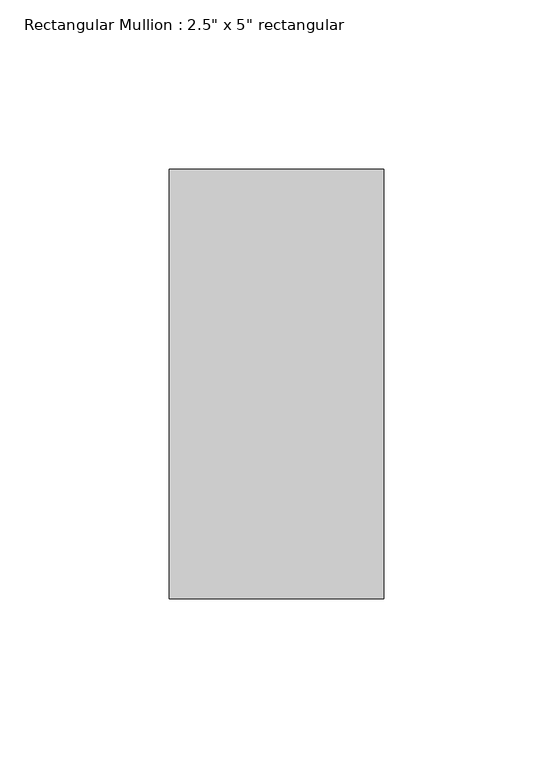
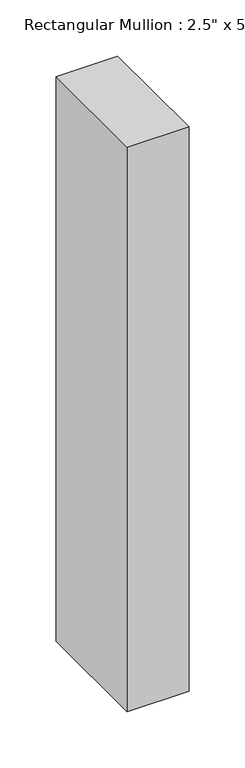
"""IFC4 building model written with IfcOpenShell, lengths in millimetres: member geometry."""

import ifcopenshell
import ifcopenshell.guid

model = None  # the IFC model being written
_history = None  # IfcOwnerHistory: only IFC2X3 demands one
_inside = {}  # id of a spatial element -> (the spatial element, [elements in it])
_under = {}  # id of a project, library or spatial element -> (it, [spatial elements below it])
_declared = {}  # id of a project -> (the project, [libraries it declares])
_typed = {}  # id of a type object -> (the type object, [elements of that type])
_made_of = {}  # id of a material, layer set ... -> (it, [elements and type objects made of it])


def new_model(schema):
    """Start an empty IFC model of exactly this schema.

    Asked for "IFC4X3", IfcOpenShell would pick the latest addendum, in which some entities
    have other attributes; the version numbers below select the first issue.
    IFC2X3 requires an IfcOwnerHistory on every rooted entity: one is made here for all.
    """
    global model, _history
    if schema == "IFC4X3":
        model = ifcopenshell.file(schema_version=(4, 3, 0, 0))
    else:
        model = ifcopenshell.file(schema=schema)
    _inside.clear()
    _under.clear()
    _declared.clear()
    _typed.clear()
    _made_of.clear()
    _history = None
    if model.schema == "IFC2X3":
        org = make("IfcOrganization", Name="unknown")
        user = make(
            "IfcPersonAndOrganization",
            ThePerson=make("IfcPerson", FamilyName="unknown"),
            TheOrganization=org,
        )
        app = make(
            "IfcApplication",
            ApplicationDeveloper=org,
            Version="unknown",
            ApplicationFullName="unknown",
            ApplicationIdentifier="unknown",
        )
        _history = make(
            "IfcOwnerHistory",
            OwningUser=user,
            OwningApplication=app,
            ChangeAction="ADDED",
            CreationDate=0,
        )
    return model


def make(cls, **values):
    """One entity of the class cls with the attributes given. An attribute that is None is left unset."""
    return model.create_entity(
        cls, **{name: value for name, value in values.items() if value is not None}
    )


def rooted(cls, **values):
    """An entity with a GlobalId (a new one), such as an element, a storey or a relation."""
    return make(cls, GlobalId=ifcopenshell.guid.new(), OwnerHistory=_history, **values)


def si_unit(unit_type, name, prefix=None):
    """IfcSIUnit, for example si_unit("LENGTHUNIT", "METRE", prefix="MILLI")."""
    return make("IfcSIUnit", UnitType=unit_type, Prefix=prefix, Name=name)


def assignment(units):
    """IfcUnitAssignment: the units of a project."""
    return None if units is None else make("IfcUnitAssignment", Units=units)


def point(xyz):
    """IfcCartesianPoint."""
    return None if xyz is None else make("IfcCartesianPoint", Coordinates=xyz)


def direction(xyz):
    """IfcDirection."""
    return None if xyz is None else make("IfcDirection", DirectionRatios=xyz)


def frame(location, z_axis=None, x_axis=None):
    """IfcAxis2Placement3D, a coordinate frame: its origin and axes. An axis left out is left unset."""
    return make(
        "IfcAxis2Placement3D",
        Location=point(location),
        Axis=direction(z_axis),
        RefDirection=direction(x_axis),
    )


def origin():
    """The frame at (0, 0, 0) with its axes left unset."""
    return frame((0.0, 0.0, 0.0))


def place(relative_to, where):
    """IfcLocalPlacement: puts the frame where relative to a parent placement (None: the world)."""
    return make(
        "IfcLocalPlacement", PlacementRelTo=relative_to, RelativePlacement=where
    )


def context(
    kind, dimensions, precision=None, world=None, true_north=None, identifier=None
):
    """IfcGeometricRepresentationContext, for example the 3D "Model" context."""
    return make(
        "IfcGeometricRepresentationContext",
        ContextIdentifier=identifier,
        ContextType=kind,
        CoordinateSpaceDimension=dimensions,
        Precision=precision,
        WorldCoordinateSystem=world,
        TrueNorth=true_north,
    )


def project(units=None, contexts=None):
    """IfcProject with its units and contexts."""
    return rooted(
        "IfcProject",
        Name="project",
        RepresentationContexts=contexts,
        UnitsInContext=assignment(units),
    )


def spatial(cls, under=None, at=None, **own):
    """A site, building, storey or space (cls), placed at a placement, below another one or the project."""
    s = rooted(cls, ObjectPlacement=at, **own)
    if under is not None:
        _under.setdefault(under.id(), (under, []))[1].append(s)
    return s


def polyline(points):
    """IfcPolyline through the points."""
    return make("IfcPolyline", Points=[point(p) for p in points])


def outline(outer, holes=None, kind="AREA"):
    """IfcArbitraryClosedProfileDef: a profile drawn as a closed curve; with holes, ...WithVoids."""
    if holes is None:
        return make("IfcArbitraryClosedProfileDef", ProfileType=kind, OuterCurve=outer)
    return make(
        "IfcArbitraryProfileDefWithVoids",
        ProfileType=kind,
        OuterCurve=outer,
        InnerCurves=holes,
    )


def extrude(swept, where, along, depth):
    """IfcExtrudedAreaSolid: the profile swept, set in the frame where, extruded along a direction by depth."""
    return make(
        "IfcExtrudedAreaSolid",
        SweptArea=swept,
        Position=where,
        ExtrudedDirection=direction(along),
        Depth=depth,
    )


def shape(context_of_items, identifier, shape_type, items):
    """IfcShapeRepresentation: the items that make up one representation, for example the "Body"."""
    return make(
        "IfcShapeRepresentation",
        ContextOfItems=context_of_items,
        RepresentationIdentifier=identifier,
        RepresentationType=shape_type,
        Items=items,
    )


def source(mapping_origin, context_of_items, identifier, shape_type, items):
    """IfcRepresentationMap: a shape defined once, which mapped items show again and again."""
    return make(
        "IfcRepresentationMap",
        MappingOrigin=mapping_origin,
        MappedRepresentation=shape(context_of_items, identifier, shape_type, items),
    )


def transform(
    local_origin,
    x_axis=None,
    y_axis=None,
    z_axis=None,
    scale=None,
    scale2=None,
    scale3=None,
    uniform=True,
):
    """IfcCartesianTransformationOperator3D, or its non-uniform kind. x_axis, y_axis, z_axis: its Axis1, 2, 3."""
    if uniform:
        return make(
            "IfcCartesianTransformationOperator3D",
            Axis1=direction(x_axis),
            Axis2=direction(y_axis),
            LocalOrigin=point(local_origin),
            Scale=scale,
            Axis3=direction(z_axis),
        )
    return make(
        "IfcCartesianTransformationOperator3DnonUniform",
        Axis1=direction(x_axis),
        Axis2=direction(y_axis),
        LocalOrigin=point(local_origin),
        Scale=scale,
        Axis3=direction(z_axis),
        Scale2=scale2,
        Scale3=scale3,
    )


def mapped(mapping_source, mapping_target):
    """IfcMappedItem: shows the shape of a source again, moved by a transform."""
    return make(
        "IfcMappedItem", MappingSource=mapping_source, MappingTarget=mapping_target
    )


def made_of(thing, what):
    """Note that an element or type object is made of a material, layer set ...; save() writes the relation."""
    if what is not None:
        _made_of.setdefault(what.id(), (what, []))[1].append(thing)
    return thing


def element(
    cls,
    number,
    at=None,
    inside=None,
    cuts=None,
    type_object=None,
    material=None,
    context=None,
    identifier="Body",
    shape_type=None,
    held_by="IfcProductDefinitionShape",
    body=None,
    shapes=None,
    **own,
):
    """One element of the class cls, such as IfcWall. Its Tag is "e" and its number.

    at: its placement. inside: the storey or other place that contains it. cuts: it is an
    opening in that element (IfcRelVoidsElement). A single representation is given by context,
    identifier, shape_type and body (its items); several are given by shapes. held_by: the class
    of the entity that holds the representations. save() writes the other relations.
    """
    e = rooted(cls, Tag="e%d" % number, ObjectPlacement=at, **own)
    if body is not None:
        shapes = [shape(context, identifier, shape_type, body)]
    if shapes is not None:
        e.Representation = make(held_by, Representations=shapes)
    if inside is not None:
        _inside.setdefault(inside.id(), (inside, []))[1].append(e)
    if cuts is not None:
        rooted(
            "IfcRelVoidsElement", RelatingBuildingElement=cuts, RelatedOpeningElement=e
        )
    if type_object is not None:
        _typed.setdefault(type_object.id(), (type_object, []))[1].append(e)
    return made_of(e, material)


def aggregate(whole, parts):
    """IfcRelAggregates: a whole, such as a stair, and the parts it consists of."""
    return rooted("IfcRelAggregates", RelatingObject=whole, RelatedObjects=parts)


def save(model, path):
    """Write the relations noted so far, then the file.

    IfcRelAggregates (storeys below a building ...), IfcRelContainedInSpatialStructure (elements
    in a storey), IfcRelDefinesByType, IfcRelAssociatesMaterial and IfcRelDeclares: one each for
    every whole, place, type object, material and project.
    """
    for whole, parts in _under.values():
        aggregate(whole, parts)
    for where, things in _inside.values():
        rooted(
            "IfcRelContainedInSpatialStructure",
            RelatedElements=things,
            RelatingStructure=where,
        )
    for kind, things in _typed.values():
        rooted("IfcRelDefinesByType", RelatedObjects=things, RelatingType=kind)
    for what, things in _made_of.values():
        rooted("IfcRelAssociatesMaterial", RelatedObjects=things, RelatingMaterial=what)
    for by, libraries in _declared.values():
        rooted("IfcRelDeclares", RelatingContext=by, RelatedDefinitions=libraries)
    model.write(path)


def member_44f19c10(model_context):
    return source(origin(), model_context, "Body", "SweptSolid", [
        extrude(outline(polyline([(0.0, 0.0), (0.0, -63.5), (-613.8896765, -63.5), (-613.5944806, 0.0), (0.0, 0.0)])), frame((0.0, -63.5, 0.0), z_axis=(0.0, 1.0, 0.0), x_axis=(0.0, 0.0, 1.0)), (0.0, 0.0, 1.0), 127.0),
    ])


if __name__ == "__main__":
    model = new_model("IFC4")
    model_context = context("Model", 3, world=origin())
    ifc_project = project(units=[si_unit("LENGTHUNIT", "METRE", prefix="MILLI")], contexts=[model_context])
    site = spatial("IfcSite", under=ifc_project)
    building = spatial("IfcBuilding", under=site)
    placement = place(None, origin())
    member_shape = member_44f19c10(model_context)
    element("IfcMember", 1, ObjectType="Rectangular Mullion : 2.5\" x 5\" rectangular", at=placement, inside=building, context=model_context, shape_type="MappedRepresentation", body=[
        mapped(member_shape, transform((0.0, 0.0, 0.0), x_axis=(1.0, 0.0, 0.0), y_axis=(0.0, 1.0, 0.0), z_axis=(0.0, 0.0, 1.0))),
    ])
    save(model, "model.ifc")
